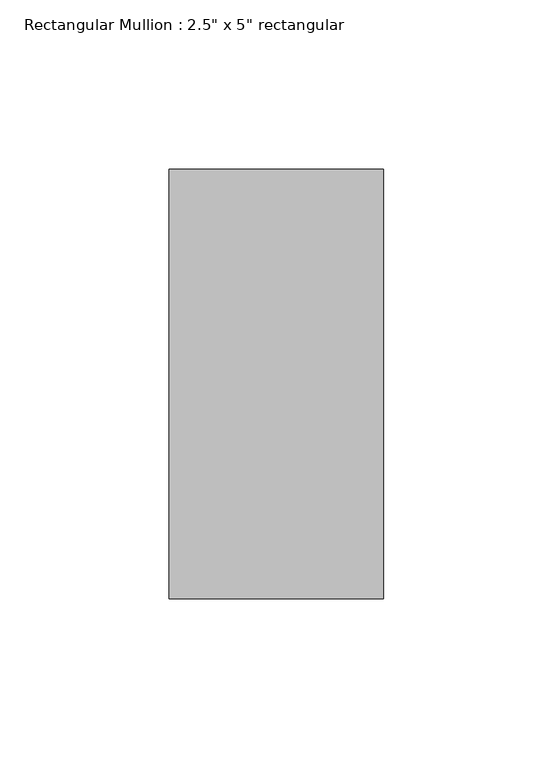
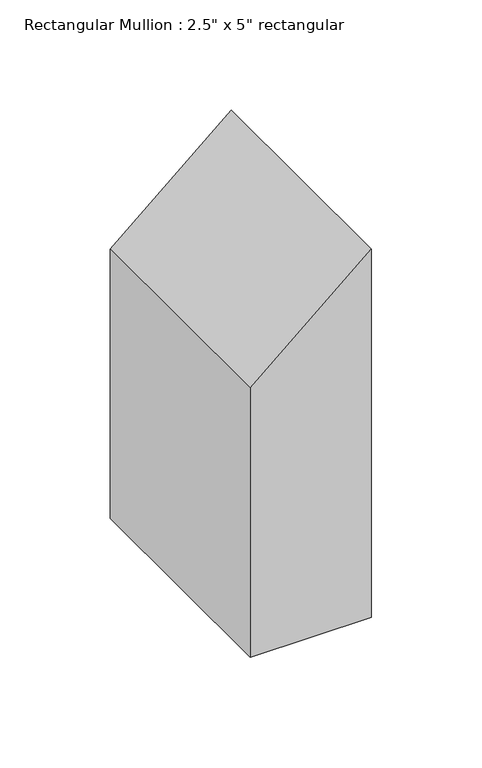
"""IFC4 building model written with IfcOpenShell, lengths in millimetres: member geometry."""

from ifc_helpers import new_model, si_unit, frame, origin, place, context, project, spatial, polyline, outline, extrude, source, transform, mapped, element, save


def member_68c91a62(model_context):
    return source(origin(), model_context, "Body", "SweptSolid", [
        extrude(outline(polyline([(0.0, 0.0), (-54.7757106, -63.5), (-204.0038007, -63.5), (-204.0038007, 0.0), (0.0, 0.0)])), frame((0.0, -63.5, 0.0), z_axis=(0.0, 1.0, 0.0), x_axis=(0.0, 0.0, 1.0)), (0.0, 0.0, 1.0), 127.0),
    ])


if __name__ == "__main__":
    model = new_model("IFC4")
    model_context = context("Model", 3, world=origin())
    ifc_project = project(units=[si_unit("LENGTHUNIT", "METRE", prefix="MILLI")], contexts=[model_context])
    site = spatial("IfcSite", under=ifc_project)
    building = spatial("IfcBuilding", under=site)
    placement = place(None, origin())
    member_shape = member_68c91a62(model_context)
    element("IfcMember", 1, ObjectType="Rectangular Mullion : 2.5\" x 5\" rectangular", at=placement, inside=building, context=model_context, shape_type="MappedRepresentation", body=[
        mapped(member_shape, transform((0.0, 0.0, 0.0), x_axis=(1.0, 0.0, 0.0), y_axis=(0.0, 1.0, 0.0), z_axis=(0.0, 0.0, 1.0))),
    ])
    save(model, "model.ifc")
